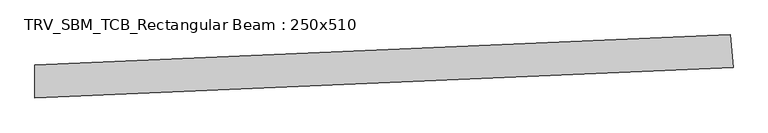
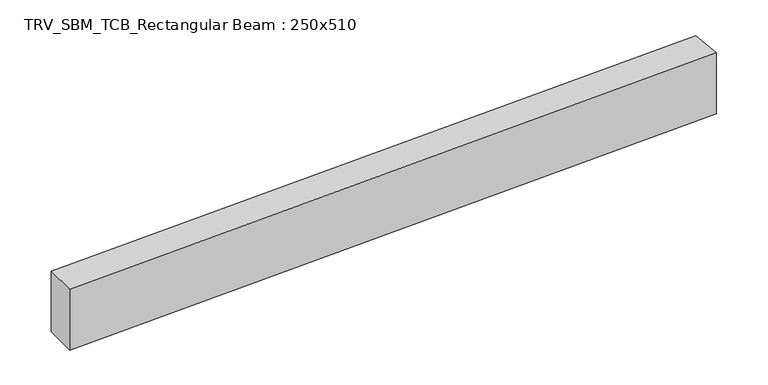
"""IFC4 building model written with IfcOpenShell, lengths in millimetres: beam geometry, TRV_SBM_TCB_Rectangular Beam : 250x510."""

from ifc_helpers import new_model, si_unit, point, frame, frame_2d, origin, place, context, project, spatial, polyline, circle_curve, trimmed, segment, composite_curve, outline, extrude, source, transform, mapped, element, save


def trv_sbm_tcb_rectangular_beam_250x510_8cf11cce(model_context):
    return source(origin(), model_context, "Body", "SweptSolid", [
        extrude(outline(composite_curve([segment(polyline([(5220.813104, 352.2112022), (5242.5321035, 103.156419)]), True, "CONTINUOUS"), segment(trimmed(circle_curve(frame_2d((0.0, 60220.0)), 60345.0), [point((5242.5321035, 103.156419))], [point((-12.7277611, -124.9986578))], False, "CARTESIAN"), True, "CONTINUOUS"), segment(polyline([(-12.7277611, -124.9986578), (-12.675032, 125.0013367)]), True, "CONTINUOUS"), segment(trimmed(circle_curve(frame_2d((0.0, 60220.0)), 60095.0), [point((-12.675032, 125.0013367))], [point((5220.813104, 352.2112022))], True, "CARTESIAN"), True, "CONTINUOUS")], self_intersect=False)), frame((0.0, 0.0, -255.0), z_axis=(0.0, 0.0, 1.0), x_axis=(1.0, 0.0, 0.0)), (0.0, 0.0, 1.0), 510.0),
    ])


if __name__ == "__main__":
    model = new_model("IFC4")
    model_context = context("Model", 3, world=origin())
    ifc_project = project(units=[si_unit("LENGTHUNIT", "METRE", prefix="MILLI")], contexts=[model_context])
    site = spatial("IfcSite", under=ifc_project)
    building = spatial("IfcBuilding", under=site)
    placement = place(None, origin())
    trv_sbm_tcb_rectangular_beam_250x510_shape = trv_sbm_tcb_rectangular_beam_250x510_8cf11cce(model_context)
    element("IfcBeam", 1, ObjectType="TRV_SBM_TCB_Rectangular Beam : 250x510", at=placement, inside=building, context=model_context, shape_type="MappedRepresentation", body=[
        mapped(trv_sbm_tcb_rectangular_beam_250x510_shape, transform((0.0, 0.0, 0.0), x_axis=(1.0, 0.0, 0.0), y_axis=(0.0, 1.0, 0.0), z_axis=(0.0, 0.0, 1.0))),
    ])
    save(model, "model.ifc")
